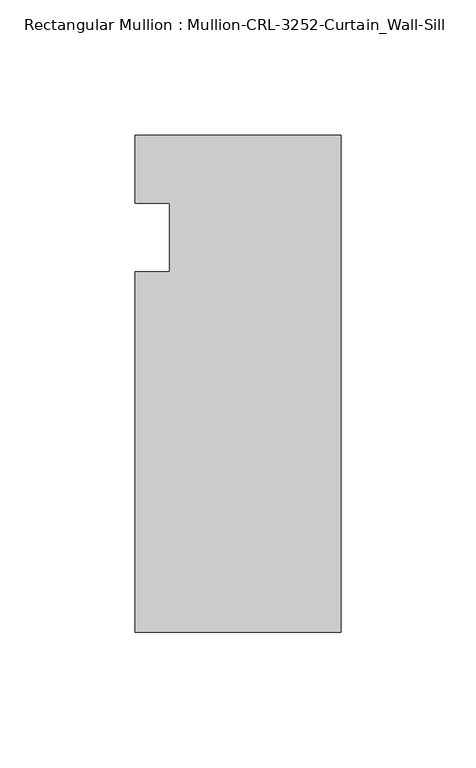
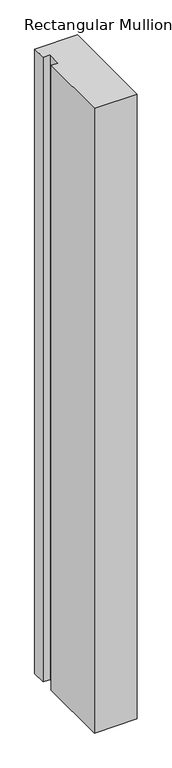
"""IFC4 building model written with IfcOpenShell, lengths in millimetres: member geometry, Rectangular Mullion : Mullion-CRL-3252-Curtain_Wall-Sill."""

from ifc_helpers import new_model, si_unit, frame, origin, place, context, project, spatial, polyline, outline, extrude, source, transform, mapped, element, save


def rectangular_mullion_mullion_crl_3252_curtain_wall_sill_a8daa65a(model_context):
    return source(origin(), model_context, "Body", "SweptSolid", [
        extrude(outline(polyline([(0.0, 37.8710195), (0.0, -146.0054758), (-76.2018563, -146.0054758), (-76.2018563, -12.7), (-63.4961173, -12.7), (-63.4961173, 12.7), (-76.2018563, 12.7), (-76.2018563, 37.8710195), (0.0, 37.8710195)])), frame((0.0, 0.0, -1174.735319), z_axis=(0.0, 0.0, 1.0), x_axis=(1.0, 0.0, 0.0)), (0.0, 0.0, 1.0), 1174.735319),
    ])


if __name__ == "__main__":
    model = new_model("IFC4")
    model_context = context("Model", 3, world=origin())
    ifc_project = project(units=[si_unit("LENGTHUNIT", "METRE", prefix="MILLI")], contexts=[model_context])
    site = spatial("IfcSite", under=ifc_project)
    building = spatial("IfcBuilding", under=site)
    placement = place(None, origin())
    rectangular_mullion_mullion_crl_3252_curtain_wall_sill_shape = rectangular_mullion_mullion_crl_3252_curtain_wall_sill_a8daa65a(model_context)
    element("IfcMember", 1, ObjectType="Rectangular Mullion : Mullion-CRL-3252-Curtain_Wall-Sill", at=placement, inside=building, context=model_context, shape_type="MappedRepresentation", body=[
        mapped(rectangular_mullion_mullion_crl_3252_curtain_wall_sill_shape, transform((0.0, 0.0, 0.0), x_axis=(1.0, 0.0, 0.0), y_axis=(0.0, 1.0, 0.0), z_axis=(0.0, 0.0, 1.0))),
    ])
    save(model, "model.ifc")
